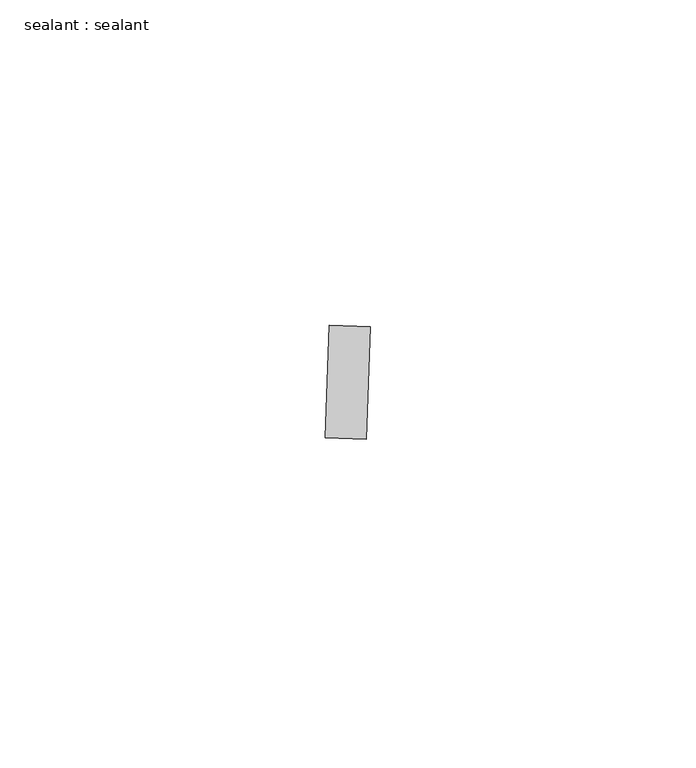
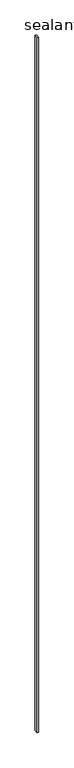
"""IFC4 building model written with IfcOpenShell, lengths in millimetres: proxy geometry, sealant : sealant."""

from ifc_helpers import new_model, si_unit, frame, origin, place, context, project, spatial, polyline, outline, extrude, source, transform, mapped, element, save


def sealant_sealant_cf9423d7(model_context):
    return source(origin(), model_context, "Body", "SweptSolid", [
        extrude(outline(polyline([(17424.3453588, -14645.7371309), (17424.954185, -14628.4134064), (17431.2901768, -14628.6360789), (17430.6813506, -14645.9598034), (17424.3453588, -14645.7371309)])), frame((0.0, 0.0, 73.975708), z_axis=(0.0, 0.0, 1.0), x_axis=(1.0, 0.0, 0.0)), (0.0, 0.0, 1.0), 2959.11),
    ])


if __name__ == "__main__":
    model = new_model("IFC4")
    model_context = context("Model", 3, world=origin())
    ifc_project = project(units=[si_unit("LENGTHUNIT", "METRE", prefix="MILLI")], contexts=[model_context])
    site = spatial("IfcSite", under=ifc_project)
    building = spatial("IfcBuilding", under=site)
    placement = place(None, origin())
    sealant_sealant_shape = sealant_sealant_cf9423d7(model_context)
    element("IfcBuildingElementProxy", 1, Name="sealant : sealant", ObjectType="sealant : sealant", at=placement, inside=building, context=model_context, shape_type="MappedRepresentation", body=[
        mapped(sealant_sealant_shape, transform((0.0, 0.0, 0.0), x_axis=(1.0, 0.0, 0.0), y_axis=(0.0, 1.0, 0.0), z_axis=(0.0, 0.0, 1.0))),
    ])
    save(model, "model.ifc")
